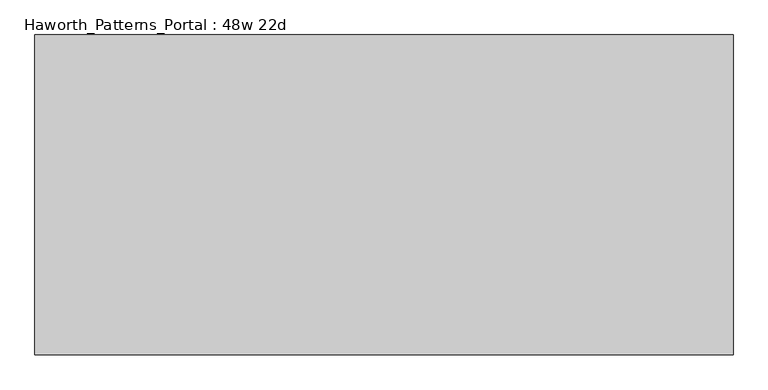
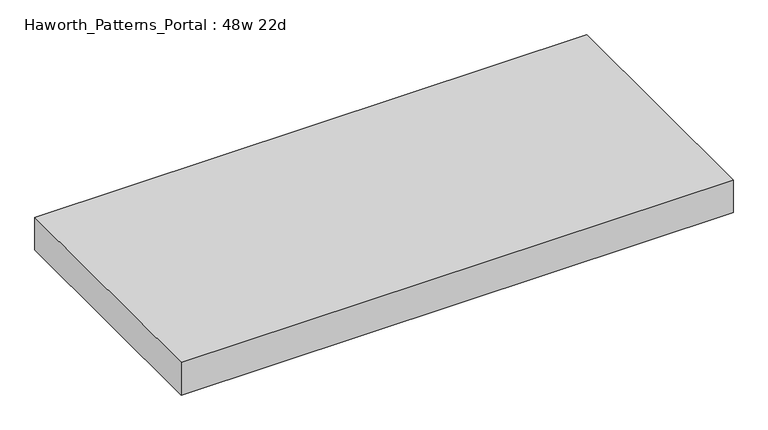
"""IFC4 building model written with IfcOpenShell, lengths in millimetres: furniture geometry, Haworth_Patterns_Portal : 48w 22d."""

from ifc_helpers import new_model, si_unit, frame, origin, place, context, project, spatial, polyline, outline, extrude, source, transform, mapped, element, save


def haworth_patterns_portal_48w_22d_41941d0e(model_context):
    return source(origin(), model_context, "Body", "SweptSolid", [
        extrude(outline(polyline([(609.6, 279.4), (609.6, -279.4), (-609.6, -279.4), (-609.6, 279.4), (609.6, 279.4)])), frame((0.0, 0.0, 2349.5), z_axis=(0.0, 0.0, 1.0), x_axis=(1.0, 0.0, 0.0)), (0.0, 0.0, 1.0), 76.2),
    ])


if __name__ == "__main__":
    model = new_model("IFC4")
    model_context = context("Model", 3, world=origin())
    ifc_project = project(units=[si_unit("LENGTHUNIT", "METRE", prefix="MILLI")], contexts=[model_context])
    site = spatial("IfcSite", under=ifc_project)
    building = spatial("IfcBuilding", under=site)
    placement = place(None, origin())
    haworth_patterns_portal_48w_22d_shape = haworth_patterns_portal_48w_22d_41941d0e(model_context)
    element("IfcFurniture", 1, ObjectType="Haworth_Patterns_Portal : 48w 22d", at=placement, inside=building, context=model_context, shape_type="MappedRepresentation", body=[
        mapped(haworth_patterns_portal_48w_22d_shape, transform((0.0, 0.0, 0.0), x_axis=(1.0, 0.0, 0.0), y_axis=(0.0, 1.0, 0.0), z_axis=(0.0, 0.0, 1.0))),
    ])
    save(model, "model.ifc")
